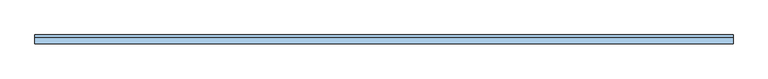
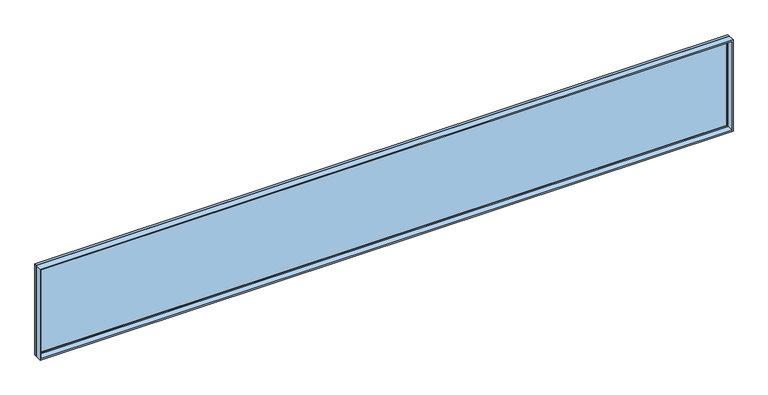
"""IFC4 building model written with IfcOpenShell, lengths in millimetres: window geometry."""

from ifc_helpers import new_model, si_unit, frame, origin, place, context, project, spatial, polyline, outline, extrude, source, transform, mapped, element, save


def window_463e0523(model_context):
    return source(origin(), model_context, "Body", "SweptSolid", [
        extrude(outline(polyline([(-8937.0, 93.0), (8937.0, 93.0), (8937.0, 81.0), (-8937.0, 81.0), (-8937.0, 93.0)])), frame((0.0, 0.0, 263.0), z_axis=(0.0, 0.0, 1.0), x_axis=(1.0, 0.0, 0.0)), (0.0, 0.0, 1.0), 2374.0),
        extrude(outline(polyline([(2681.0, -8981.0), (219.0, -8981.0), (219.0, 8981.0), (2681.0, 8981.0), (2681.0, -8981.0)]), holes=[polyline([(2637.0, -8937.0), (2637.0, 8937.0), (263.0, 8937.0), (263.0, -8937.0), (2637.0, -8937.0)])]), frame((0.0, 65.0, 0.0), z_axis=(0.0, 1.0, 0.0), x_axis=(0.0, 0.0, 1.0)), (0.0, 0.0, 1.0), 44.0),
        extrude(outline(polyline([(2700.0, -9000.0), (200.0, -9000.0), (200.0, 9000.0), (2700.0, 9000.0), (2700.0, -9000.0)]), holes=[polyline([(2681.0, -8981.0), (2681.0, 8981.0), (219.0, 8981.0), (219.0, -8981.0), (2681.0, -8981.0)])]), frame((0.0, 65.0, 0.0), z_axis=(0.0, 1.0, 0.0), x_axis=(0.0, 0.0, 1.0)), (0.0, 0.0, 1.0), 63.0),
        extrude(outline(polyline([(2700.0, -9000.0), (200.0, -9000.0), (200.0, 9000.0), (2700.0, 9000.0), (2700.0, -9000.0)]), holes=[polyline([(2668.0, -8968.0), (2668.0, 8968.0), (232.0, 8968.0), (232.0, -8968.0), (2668.0, -8968.0)])]), frame((0.0, -102.0, 0.0), z_axis=(0.0, 1.0, 0.0), x_axis=(0.0, 0.0, 1.0)), (0.0, 0.0, 1.0), 167.0),
    ])


if __name__ == "__main__":
    model = new_model("IFC4")
    model_context = context("Model", 3, world=origin())
    ifc_project = project(units=[si_unit("LENGTHUNIT", "METRE", prefix="MILLI")], contexts=[model_context])
    site = spatial("IfcSite", under=ifc_project)
    building = spatial("IfcBuilding", under=site)
    placement = place(None, origin())
    window_shape = window_463e0523(model_context)
    element("IfcWindow", 1, at=placement, inside=building, context=model_context, shape_type="MappedRepresentation", body=[
        mapped(window_shape, transform((0.0, 0.0, 0.0), x_axis=(1.0, 0.0, 0.0), y_axis=(0.0, 1.0, 0.0), z_axis=(0.0, 0.0, 1.0))),
    ])
    save(model, "model.ifc")
